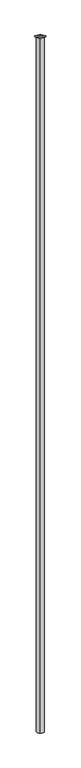
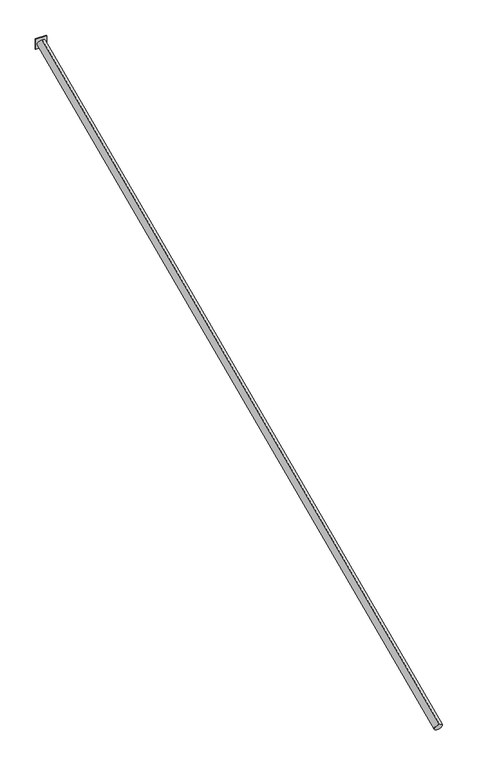
"""IFC4 building model written with IfcOpenShell, lengths in millimetres: proxy geometry."""

from ifc_helpers import new_model, si_unit, point, frame, origin, origin_2d, place, context, project, spatial, polyline, circle_curve, trimmed, segment, composite_curve, outline, extrude, source, transform, mapped, element, save


def generic_models_73c6ce64(model_context):
    return source(origin(), model_context, "Body", "SweptSolid", [
        extrude(outline(polyline([(101.6, 0.0), (-101.6, 0.0), (-101.6, 12.7), (101.6, 12.7), (101.6, 0.0)])), frame((0.0, 0.0, -101.6), z_axis=(0.0, 0.0, 1.0), x_axis=(1.0, 0.0, 0.0)), (0.0, 0.0, 1.0), 203.2),
        extrude(outline(composite_curve([segment(trimmed(circle_curve(origin_2d(), 76.2), [point((0.0, -76.1999999))], [point((0.0, 76.2))], False, "CARTESIAN"), True, "CONTINUOUS"), segment(trimmed(circle_curve(origin_2d(), 76.2), [point((0.0, 76.2))], [point((0.0, -76.1999999))], False, "CARTESIAN"), True, "CONTINUOUS")], self_intersect=False)), frame((0.0, -13087.086808, -5826.746454), z_axis=(0.0, 0.9135454576425984, 0.40673664307580604), x_axis=(1.0, 0.0, 0.0)), (0.0, 0.0, 1.0), 14325.6),
    ])


if __name__ == "__main__":
    model = new_model("IFC4")
    model_context = context("Model", 3, world=origin())
    ifc_project = project(units=[si_unit("LENGTHUNIT", "METRE", prefix="MILLI")], contexts=[model_context])
    site = spatial("IfcSite", under=ifc_project)
    building = spatial("IfcBuilding", under=site)
    placement = place(None, origin())
    generic_models_shape = generic_models_73c6ce64(model_context)
    element("IfcBuildingElementProxy", 1, Name="Generic Models", at=placement, inside=building, context=model_context, shape_type="MappedRepresentation", body=[
        mapped(generic_models_shape, transform((0.0, 0.0, 0.0), x_axis=(1.0, 0.0, 0.0), y_axis=(0.0, 1.0, 0.0), z_axis=(0.0, 0.0, 1.0))),
    ])
    save(model, "model.ifc")
